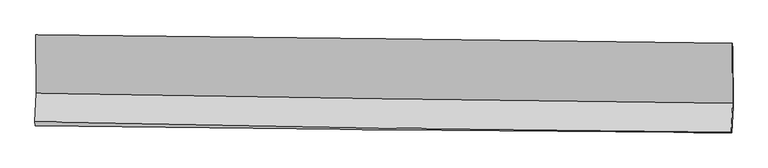
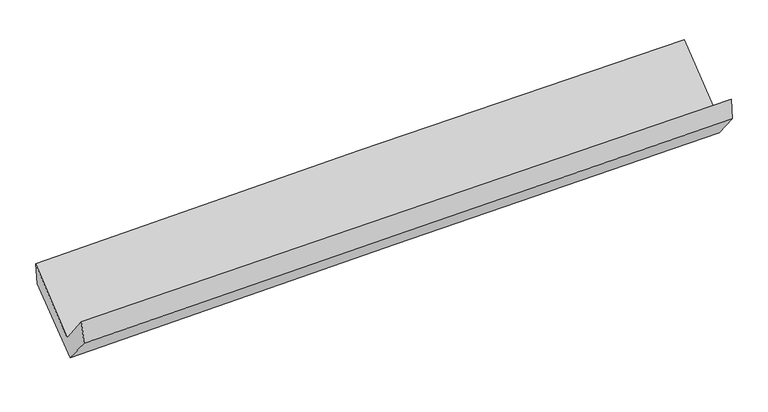
"""IFC4 building model written with IfcOpenShell, lengths in millimetres: proxy geometry."""

from ifc_helpers import new_model, si_unit, frame, origin, place, context, project, spatial, source, transform, mapped, element, save
from ifc_brep_helpers import plane_surface, spline_curve, spline_surface, advanced_brep


def generic_models_8905fd4f(model_context):
    return source(origin(), model_context, "Body", "AdvancedBrep", [
        advanced_brep(
        [(-3010.475134, -1176.2497504, 2158.0844796), (-3006.1424172, -1677.7109638, 1732.4679096), (2997.4306076, -1765.0646501, 1883.9369658), (2994.094952, -1247.0699571, 2309.5508072), (-3017.3719062, -1926.7933775, 2046.1047092), (2986.3857479, -2016.1720987, 2189.297324), (-3012.8933993, -1961.2482891, 1852.8210373), (2991.0749417, -2020.6347672, 1997.2949142), (-3002.325927, -1720.9943527, 1560.6591421), (3001.011658, -1794.7212143, 1722.5717078), (-3005.8978322, -1192.1228935, 1970.3963768), (2998.3606384, -1289.2205274, 2113.5039923)],
        [
            (0, 1),
            (1, 2, spline_curve(3, [(-3006.1424172, -1677.7109638, 1732.4679096), (-2005.835384493, -1696.84431535, 1766.745014678), (-1005.3824445, -1713.690481831, 1796.506015529), (995.808565669, -1742.808346518, 1846.99564044), (1996.546634058, -1755.080075862, 1867.724324872), (2997.4306076, -1765.0646501, 1883.9369658)], [4, 2, 4], [0.0, 9.853342517509793, 19.706619216360604])),
            (2, 3),
            (3, 0, spline_curve(3, [(2994.094952, -1247.0699571, 2309.5508072), (1993.116634647, -1234.326269634, 2293.331216756), (992.248306638, -1222.052760265, 2272.599284875), (-1009.275056979, -1198.446018491, 2222.110569096), (-2009.93009052, -1187.112792515, 2192.353725324), (-3010.475134, -1176.2497504, 2158.0844796)], [4, 2, 4], [0.0, 9.853276698850811, 19.706619216360604])),
            (1, 4),
            (4, 5, spline_curve(3, [(-3017.3719062, -1926.7933775, 2046.1047092), (-2016.974636421, -1946.986489302, 2076.301037018), (-1016.461192538, -1964.53128799, 2103.33194834), (984.791360502, -1994.324159504, 2151.062777443), (1985.530467832, -2006.572268138, 2171.76273806), (2986.3857479, -2016.1720987, 2189.297324)], [4, 2, 4], [0.0, 9.852717722958126, 19.70536963143079])),
            (5, 2),
            (4, 6),
            (6, 7, spline_curve(3, [(-3012.8933993, -1961.2482891, 1852.8210373), (-2012.399128453, -1973.736855584, 1882.029391341), (-1011.819626745, -1984.930023855, 1908.673089954), (989.503154874, -2004.72549943, 1956.831014402), (1990.24643338, -2013.327823397, 1978.345275047), (2991.0749417, -2020.6347672, 1997.2949142)], [4, 2, 4], [0.0, 9.852541113123348, 19.70501641294096])),
            (7, 5),
            (6, 8),
            (8, 9, spline_curve(3, [(-3002.325927, -1720.9943527, 1560.6591421), (-2002.053580415, -1738.528417074, 1596.00309724), (-1001.637603867, -1753.439366274, 1627.167819656), (999.474926698, -1778.014951645, 1681.138619086), (2000.171478237, -1787.679623119, 1703.944751846), (3001.011658, -1794.7212143, 1722.5717078)], [4, 2, 4], [0.0, 9.852443912249147, 19.70482201184184])),
            (9, 7),
            (8, 10),
            (10, 11, spline_curve(3, [(-3005.8978322, -1192.1228935, 1970.3963768), (-2005.429030459, -1218.700967231, 1998.371702112), (-1004.838085245, -1240.081483285, 2024.285032025), (996.581406251, -1272.447291816, 2071.987543252), (1997.409951589, -1283.432653863, 2093.776751578), (2998.3606384, -1289.2205274, 2113.5039923)], [4, 2, 4], [0.0, 9.85310155441202, 19.706137291774652])),
            (11, 9),
            (10, 0),
            (3, 11),
        ],
        [
            spline_surface(3, 3, [[(-3010.475134, -1176.2497504, 2158.0844796), (-2009.930090655, -1187.11279236, 2192.353725253), (-1009.275056912, -1198.446018453, 2222.110569194), (992.248306572, -1222.052760302, 2272.599284778), (1993.1166348, -1234.326269775, 2293.331216701), (2994.094952, -1247.0699571, 2309.5508072)], [(-3009.030895046, -1343.403488217, 2016.212289575), (-2008.565188555, -1357.023300055, 2050.484154999), (-1007.977519439, -1370.194172872, 2080.242384619), (993.435059618, -1395.637955725, 2130.731403373), (1994.259967885, -1407.910871757, 2151.462252804), (2995.206837192, -1419.734854768, 2167.679526735)], [(-3007.586656154, -1510.557225983, 1874.340099625), (-2007.200286518, -1526.933807698, 1908.61458482), (-1006.67998199, -1541.942327325, 1938.374200012), (994.62181264, -1569.223151182, 1988.863521936), (1995.403300993, -1581.495473736, 2009.593288903), (2996.318722408, -1592.399752432, 2025.808246265)], [(-3006.1424172, -1677.7109638, 1732.4679096), (-2005.835384418, -1696.844315393, 1766.745014567), (-1005.382444517, -1713.690481743, 1796.506015437), (995.808565686, -1742.808346605, 1846.995640531), (1996.546634078, -1755.080075719, 1867.724325006), (2997.4306076, -1765.0646501, 1883.9369658)]], [4, 4], [4, 2, 4], [0.0, 2.199574364518743], [0.0, 9.853342517509793, 19.706619216360604]),
            spline_surface(3, 3, [[(-3006.1424172, -1677.7109638, 1732.4679096), (-2005.835384418, -1696.844315393, 1766.745014567), (-1005.382444517, -1713.690481743, 1796.506015437), (995.808565686, -1742.808346605, 1846.995640531), (1996.546634078, -1755.080075719, 1867.724325006), (2997.4306076, -1765.0646501, 1883.9369658)], [(-3009.885580212, -1760.738435034, 1837.013509494), (-2009.548468463, -1780.225040003, 1869.930355435), (-1009.0753605, -1797.304083797, 1898.781326375), (992.136163948, -1826.646950927, 1948.351352866), (1992.874578656, -1838.910806474, 1969.070462655), (2993.74898772, -1848.767132964, 1985.723751842)], [(-3013.628743188, -1843.765906266, 1941.559109306), (-2013.261552471, -1863.605764611, 1973.115696223), (-1012.768276504, -1880.91768586, 2001.05663731), (988.463762189, -1910.485555259, 2049.707065199), (1989.202523172, -1922.741537238, 2070.416600379), (2990.06736778, -1932.469615836, 2087.510537958)], [(-3017.3719062, -1926.7933775, 2046.1047092), (-2016.974636517, -1946.986489221, 2076.301037092), (-1016.461192487, -1964.531287913, 2103.331948248), (984.791360451, -1994.324159581, 2151.062777534), (1985.530467749, -2006.572267993, 2171.762738028), (2986.3857479, -2016.1720987, 2189.297324)]], [4, 4], [4, 2, 4], [0.0, 1.2979451749058788], [0.0, 9.852717722958126, 19.70536963143079]),
            spline_surface(3, 3, [[(-3017.3719062, -1926.7933775, 2046.1047092), (-2016.974636517, -1946.986489221, 2076.301037092), (-1016.461192487, -1964.531287913, 2103.331948248), (984.791360451, -1994.324159581, 2151.062777534), (1985.530467749, -2006.572267993, 2171.762738028), (2986.3857479, -2016.1720987, 2189.297324)], [(-3015.879070553, -1938.278348012, 1981.676818542), (-2015.44946718, -1955.90327794, 2011.543821833), (-1014.914003909, -1971.330866599, 2038.445662095), (986.361958534, -1997.791272849, 2086.318856529), (1987.102456234, -2008.824119853, 2107.290250389), (2987.948812475, -2017.659654886, 2125.296520759)], [(-3014.386234947, -1949.763318588, 1917.248927958), (-2013.924297882, -1964.820066724, 1946.786606648), (-1013.36681524, -1978.130445249, 1973.559375967), (987.932556708, -2001.258386081, 2021.574935548), (1988.674444794, -2011.075971656, 2042.817762674), (2989.511877125, -2019.147211014, 2061.295717441)], [(-3012.8933993, -1961.2482891, 1852.8210373), (-2012.399128545, -1973.736855443, 1882.02939139), (-1011.819626662, -1984.930023935, 1908.673089814), (989.503154791, -2004.72549935, 1956.831014542), (1990.246433279, -2013.327823516, 1978.345275035), (2991.0749417, -2020.6347672, 1997.2949142)]], [4, 4], [4, 2, 4], [0.0, 0.640125519852595], [0.0, 9.852541113123348, 19.70501641294096]),
            spline_surface(3, 3, [[(-3012.8933993, -1961.2482891, 1852.8210373), (-2012.399128545, -1973.736855443, 1882.02939139), (-1011.819626662, -1984.930023935, 1908.673089814), (989.503154791, -2004.72549935, 1956.831014542), (1990.246433279, -2013.327823516, 1978.345275035), (2991.0749417, -2020.6347672, 1997.2949142)], [(-3009.370908536, -1881.163643628, 1755.43373892), (-2008.950612513, -1895.334042675, 1786.687293339), (-1008.425618988, -1907.766471355, 1814.837999767), (992.827078729, -1929.155316796, 1864.933549383), (1993.554781578, -1938.111756711, 1886.878433948), (2994.387180475, -1945.330249543, 1905.72051205)], [(-3005.848417764, -1801.078998172, 1658.04644048), (-2005.502096472, -1816.931229921, 1691.345195228), (-1005.031611381, -1830.602918794, 1721.002909723), (996.1510026, -1853.58513426, 1773.036084225), (1996.863129854, -1862.895689978, 1795.41159291), (2997.699419225, -1870.025731957, 1814.14610995)], [(-3002.325927, -1720.9943527, 1560.6591421), (-2002.05358044, -1738.528417153, 1596.003097178), (-1001.637603706, -1753.439366214, 1627.167819676), (999.474926538, -1778.014951706, 1681.138619065), (2000.171478154, -1787.679623173, 1703.944751823), (3001.011658, -1794.7212143, 1722.5717078)]], [4, 4], [4, 2, 4], [0.0, 1.183860323512161], [0.0, 9.852443912249147, 19.70482201184184]),
            spline_surface(3, 3, [[(-3002.325927, -1720.9943527, 1560.6591421), (-2002.05358044, -1738.528417153, 1596.003097178), (-1001.637603706, -1753.439366214, 1627.167819676), (999.474926538, -1778.014951706, 1681.138619065), (2000.171478154, -1787.679623173, 1703.944751823), (3001.011658, -1794.7212143, 1722.5717078)], [(-3003.516562075, -1544.703866299, 1697.238220321), (-2003.178730427, -1565.252600516, 1730.125965435), (-1002.704430933, -1582.320071883, 1759.540223837), (998.510419836, -1609.492398397, 1811.421593742), (1999.250969311, -1619.597300044, 1833.888751686), (3000.127984785, -1626.220985357, 1852.882469286)], [(-3004.707197125, -1368.413379901, 1833.817298579), (-2004.303880389, -1391.976783883, 1864.248833729), (-1003.771258179, -1411.200777603, 1891.912628009), (997.545913114, -1440.969845137, 1941.704568431), (1998.330460514, -1451.514976845, 1963.83275159), (2999.244311615, -1457.720756343, 1983.193230814)], [(-3005.8978322, -1192.1228935, 1970.3963768), (-2005.429030376, -1218.700967247, 1998.371701986), (-1004.838085405, -1240.081483272, 2024.285032169), (996.581406412, -1272.447291828, 2071.987543108), (1997.409951671, -1283.432653716, 2093.776751452), (2998.3606384, -1289.2205274, 2113.5039923)]], [4, 4], [4, 2, 4], [0.0, 2.112983922351168], [0.0, 9.85310155441202, 19.706137291774652]),
            spline_surface(3, 3, [[(-3005.8978322, -1192.1228935, 1970.3963768), (-2005.429030376, -1218.700967247, 1998.371701986), (-1004.838085405, -1240.081483272, 2024.285032169), (996.581406412, -1272.447291828, 2071.987543108), (1997.409951671, -1283.432653716, 2093.776751452), (2998.3606384, -1289.2205274, 2113.5039923)], [(-3007.423599477, -1186.831845809, 2032.959077747), (-2006.929383812, -1208.171575627, 2063.032376423), (-1006.317075921, -1226.202995025, 2090.226877845), (995.137039785, -1255.649114678, 2138.858123666), (1995.978846066, -1267.063859052, 2160.294906564), (2996.938742952, -1275.170337283, 2178.852930628)], [(-3008.949366723, -1181.540798091, 2095.521778653), (-2008.429737218, -1197.64218398, 2127.693050817), (-1007.796066397, -1212.324506701, 2156.168723517), (993.692673198, -1238.850937452, 2205.72870422), (1994.547740404, -1250.695064439, 2226.81306159), (2995.516847448, -1261.120147217, 2244.201868872)], [(-3010.475134, -1176.2497504, 2158.0844796), (-2009.930090655, -1187.11279236, 2192.353725253), (-1009.275056912, -1198.446018453, 2222.110569194), (992.248306572, -1222.052760302, 2272.599284778), (1993.1166348, -1234.326269775, 2293.331216701), (2994.094952, -1247.0699571, 2309.5508072)]], [4, 4], [4, 2, 4], [0.0, 0.6709672007395504], [0.0, 9.853814495159087, 19.70756316850646]),
            plane_surface(frame((2994.7264243, -1688.8138691, 2036.0259519), z_axis=(0.9995975694991138, -0.013887147242268557, 0.024735524917331483), x_axis=(-0.004148471832030406, 0.7910372765838037, 0.611753886163658))),
            plane_surface(frame((-3009.184436, -1609.1866045, 1886.7556091), z_axis=(-0.9995910786876885, 0.012986268442138387, -0.025476111161877542), x_axis=(0.02429388727423366, -0.08424621375480064, -0.996148775288655))),
        ],
        [
            (0, [[1, 2, 3, 4]]),
            (1, [[5, 6, 7, -2]]),
            (2, [[8, 9, 10, -6]]),
            (3, [[11, 12, 13, -9]]),
            (4, [[14, 15, 16, -12]]),
            (5, [[17, -4, 18, -15]]),
            (6, [[-16, -18, -3, -7, -10, -13]]),
            (7, [[-17, -14, -11, -8, -5, -1]]),
        ],
    ),
    ])


if __name__ == "__main__":
    model = new_model("IFC4")
    model_context = context("Model", 3, world=origin())
    ifc_project = project(units=[si_unit("LENGTHUNIT", "METRE", prefix="MILLI")], contexts=[model_context])
    site = spatial("IfcSite", under=ifc_project)
    building = spatial("IfcBuilding", under=site)
    placement = place(None, origin())
    generic_models_shape = generic_models_8905fd4f(model_context)
    element("IfcBuildingElementProxy", 1, Name="Generic Models", at=placement, inside=building, context=model_context, shape_type="MappedRepresentation", body=[
        mapped(generic_models_shape, transform((0.0, 0.0, 0.0), x_axis=(1.0, 0.0, 0.0), y_axis=(0.0, 1.0, 0.0), z_axis=(0.0, 0.0, 1.0))),
    ])
    save(model, "model.ifc")
